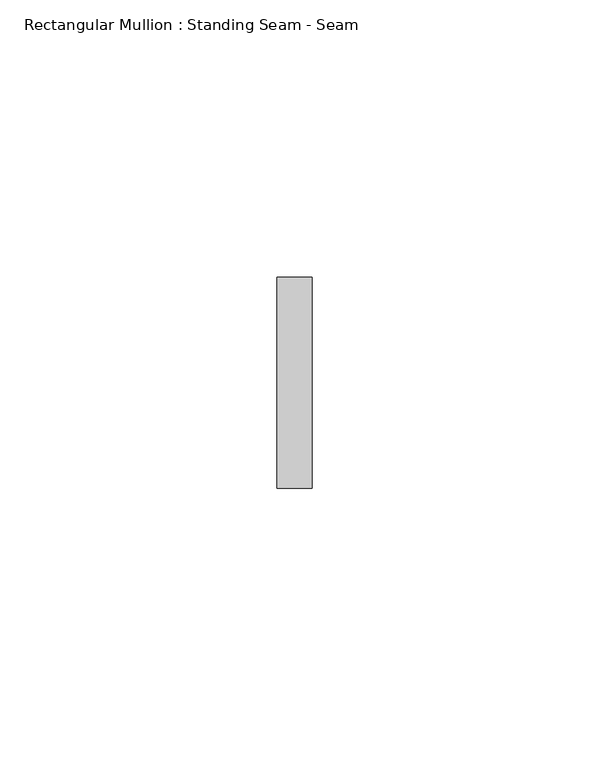
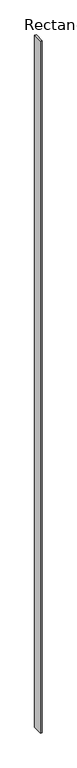
"""IFC4 building model written with IfcOpenShell, lengths in millimetres: member geometry, Rectangular Mullion : Standing Seam - Seam."""

from ifc_helpers import new_model, si_unit, frame, origin, place, context, project, spatial, polyline, outline, extrude, source, transform, mapped, element, save


def rectangular_mullion_standing_seam_seam_e77fa06d(model_context):
    return source(origin(), model_context, "Body", "SweptSolid", [
        extrude(outline(polyline([(3.175, 41.275), (3.175, 3.175), (-3.175, 3.175), (-3.175, 41.275), (3.175, 41.275)])), frame((0.0, 0.0, -2846.6953018), z_axis=(0.0, 0.0, 1.0), x_axis=(1.0, 0.0, 0.0)), (0.0, 0.0, 1.0), 2846.6953018),
    ])


if __name__ == "__main__":
    model = new_model("IFC4")
    model_context = context("Model", 3, world=origin())
    ifc_project = project(units=[si_unit("LENGTHUNIT", "METRE", prefix="MILLI")], contexts=[model_context])
    site = spatial("IfcSite", under=ifc_project)
    building = spatial("IfcBuilding", under=site)
    placement = place(None, origin())
    rectangular_mullion_standing_seam_seam_shape = rectangular_mullion_standing_seam_seam_e77fa06d(model_context)
    element("IfcMember", 1, ObjectType="Rectangular Mullion : Standing Seam - Seam", at=placement, inside=building, context=model_context, shape_type="MappedRepresentation", body=[
        mapped(rectangular_mullion_standing_seam_seam_shape, transform((0.0, 0.0, 0.0), x_axis=(1.0, 0.0, 0.0), y_axis=(0.0, 1.0, 0.0), z_axis=(0.0, 0.0, 1.0))),
    ])
    save(model, "model.ifc")
